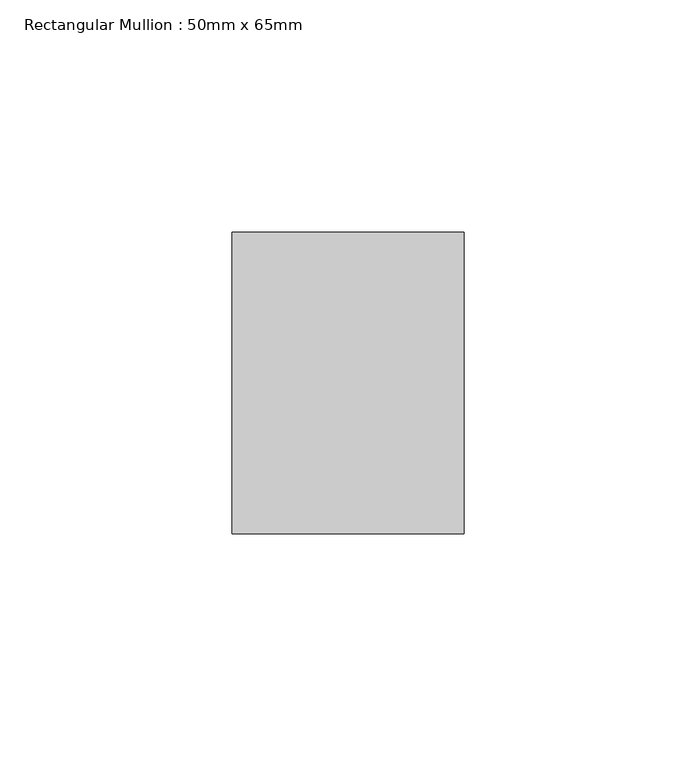
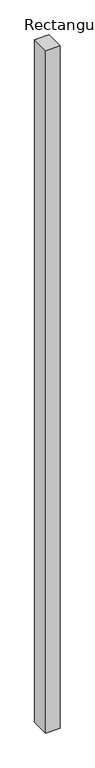
"""IFC4 building model written with IfcOpenShell, lengths in millimetres: member geometry, Rectangular Mullion : 50mm x 65mm."""

from ifc_helpers import new_model, si_unit, frame, origin, place, context, project, spatial, polyline, outline, extrude, source, transform, mapped, element, save


def rectangular_mullion_50mm_x_65mm_517ba4c6(model_context):
    return source(origin(), model_context, "Body", "SweptSolid", [
        extrude(outline(polyline([(25.0, 32.5), (25.0, -32.5), (-25.0, -32.5), (-25.0, 32.5), (25.0, 32.5)])), frame((0.0, 0.0, -2478.0255138), z_axis=(0.0, 0.0, 1.0), x_axis=(1.0, 0.0, 0.0)), (0.0, 0.0, 1.0), 2478.0255138),
    ])


if __name__ == "__main__":
    model = new_model("IFC4")
    model_context = context("Model", 3, world=origin())
    ifc_project = project(units=[si_unit("LENGTHUNIT", "METRE", prefix="MILLI")], contexts=[model_context])
    site = spatial("IfcSite", under=ifc_project)
    building = spatial("IfcBuilding", under=site)
    placement = place(None, origin())
    rectangular_mullion_50mm_x_65mm_shape = rectangular_mullion_50mm_x_65mm_517ba4c6(model_context)
    element("IfcMember", 1, ObjectType="Rectangular Mullion : 50mm x 65mm", at=placement, inside=building, context=model_context, shape_type="MappedRepresentation", body=[
        mapped(rectangular_mullion_50mm_x_65mm_shape, transform((0.0, 0.0, 0.0), x_axis=(1.0, 0.0, 0.0), y_axis=(0.0, 1.0, 0.0), z_axis=(0.0, 0.0, 1.0))),
    ])
    save(model, "model.ifc")
